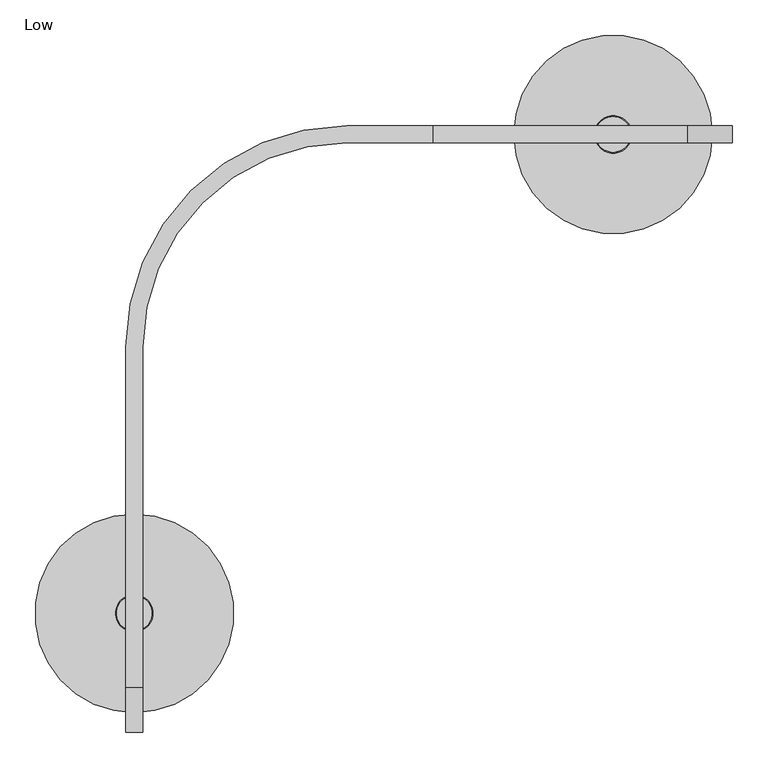
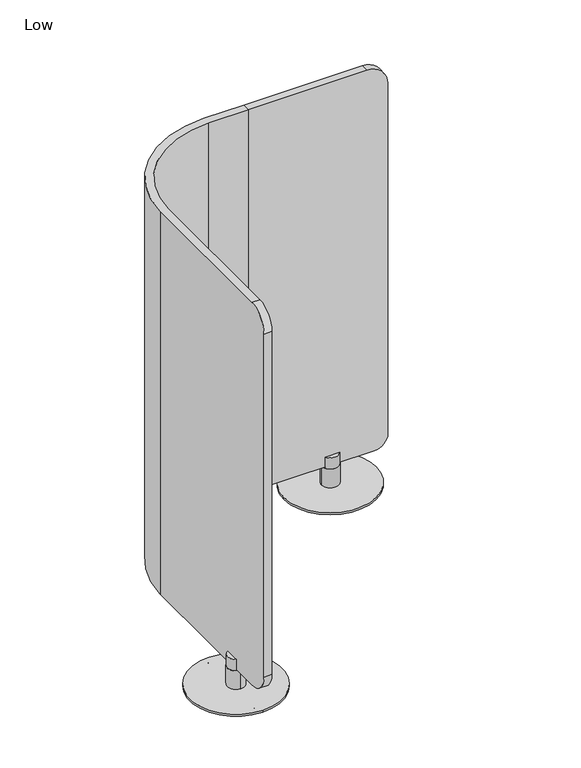
"""IFC4 building model written with IfcOpenShell, lengths in millimetres: furniture geometry, Low."""

import ifcopenshell
import ifcopenshell.guid

model = None  # the IFC model being written
_history = None  # IfcOwnerHistory: only IFC2X3 demands one
_inside = {}  # id of a spatial element -> (the spatial element, [elements in it])
_under = {}  # id of a project, library or spatial element -> (it, [spatial elements below it])
_declared = {}  # id of a project -> (the project, [libraries it declares])
_typed = {}  # id of a type object -> (the type object, [elements of that type])
_made_of = {}  # id of a material, layer set ... -> (it, [elements and type objects made of it])


def new_model(schema):
    """Start an empty IFC model of exactly this schema.

    Asked for "IFC4X3", IfcOpenShell would pick the latest addendum, in which some entities
    have other attributes; the version numbers below select the first issue.
    IFC2X3 requires an IfcOwnerHistory on every rooted entity: one is made here for all.
    """
    global model, _history
    if schema == "IFC4X3":
        model = ifcopenshell.file(schema_version=(4, 3, 0, 0))
    else:
        model = ifcopenshell.file(schema=schema)
    _inside.clear()
    _under.clear()
    _declared.clear()
    _typed.clear()
    _made_of.clear()
    _history = None
    if model.schema == "IFC2X3":
        org = make("IfcOrganization", Name="unknown")
        user = make(
            "IfcPersonAndOrganization",
            ThePerson=make("IfcPerson", FamilyName="unknown"),
            TheOrganization=org,
        )
        app = make(
            "IfcApplication",
            ApplicationDeveloper=org,
            Version="unknown",
            ApplicationFullName="unknown",
            ApplicationIdentifier="unknown",
        )
        _history = make(
            "IfcOwnerHistory",
            OwningUser=user,
            OwningApplication=app,
            ChangeAction="ADDED",
            CreationDate=0,
        )
    return model


def make(cls, **values):
    """One entity of the class cls with the attributes given. An attribute that is None is left unset."""
    return model.create_entity(
        cls, **{name: value for name, value in values.items() if value is not None}
    )


def rooted(cls, **values):
    """An entity with a GlobalId (a new one), such as an element, a storey or a relation."""
    return make(cls, GlobalId=ifcopenshell.guid.new(), OwnerHistory=_history, **values)


def si_unit(unit_type, name, prefix=None):
    """IfcSIUnit, for example si_unit("LENGTHUNIT", "METRE", prefix="MILLI")."""
    return make("IfcSIUnit", UnitType=unit_type, Prefix=prefix, Name=name)


def assignment(units):
    """IfcUnitAssignment: the units of a project."""
    return None if units is None else make("IfcUnitAssignment", Units=units)


def point(xyz):
    """IfcCartesianPoint."""
    return None if xyz is None else make("IfcCartesianPoint", Coordinates=xyz)


def direction(xyz):
    """IfcDirection."""
    return None if xyz is None else make("IfcDirection", DirectionRatios=xyz)


def frame(location, z_axis=None, x_axis=None):
    """IfcAxis2Placement3D, a coordinate frame: its origin and axes. An axis left out is left unset."""
    return make(
        "IfcAxis2Placement3D",
        Location=point(location),
        Axis=direction(z_axis),
        RefDirection=direction(x_axis),
    )


def frame_2d(location, x_axis=None):
    """IfcAxis2Placement2D, a coordinate frame in the plane: its origin and x axis."""
    return make(
        "IfcAxis2Placement2D", Location=point(location), RefDirection=direction(x_axis)
    )


def origin():
    """The frame at (0, 0, 0) with its axes left unset."""
    return frame((0.0, 0.0, 0.0))


def origin_with_axes():
    """The frame at (0, 0, 0) with the z axis (0, 0, 1) and the x axis (1, 0, 0) written out."""
    return frame((0.0, 0.0, 0.0), z_axis=(0.0, 0.0, 1.0), x_axis=(1.0, 0.0, 0.0))


def place(relative_to, where):
    """IfcLocalPlacement: puts the frame where relative to a parent placement (None: the world)."""
    return make(
        "IfcLocalPlacement", PlacementRelTo=relative_to, RelativePlacement=where
    )


def context(
    kind, dimensions, precision=None, world=None, true_north=None, identifier=None
):
    """IfcGeometricRepresentationContext, for example the 3D "Model" context."""
    return make(
        "IfcGeometricRepresentationContext",
        ContextIdentifier=identifier,
        ContextType=kind,
        CoordinateSpaceDimension=dimensions,
        Precision=precision,
        WorldCoordinateSystem=world,
        TrueNorth=true_north,
    )


def project(units=None, contexts=None):
    """IfcProject with its units and contexts."""
    return rooted(
        "IfcProject",
        Name="project",
        RepresentationContexts=contexts,
        UnitsInContext=assignment(units),
    )


def spatial(cls, under=None, at=None, **own):
    """A site, building, storey or space (cls), placed at a placement, below another one or the project."""
    s = rooted(cls, ObjectPlacement=at, **own)
    if under is not None:
        _under.setdefault(under.id(), (under, []))[1].append(s)
    return s


def polyline(points):
    """IfcPolyline through the points."""
    return make("IfcPolyline", Points=[point(p) for p in points])


def circle_curve(where, radius):
    """IfcCircle in the frame where."""
    return make("IfcCircle", Position=where, Radius=radius)


def trimmed(basis, trim1, trim2, sense, master):
    """IfcTrimmedCurve: the piece of a basis curve between two trims."""
    return make(
        "IfcTrimmedCurve",
        BasisCurve=basis,
        Trim1=trim1,
        Trim2=trim2,
        SenseAgreement=sense,
        MasterRepresentation=master,
    )


def segment(curve, same_sense, transition):
    """IfcCompositeCurveSegment."""
    return make(
        "IfcCompositeCurveSegment",
        Transition=transition,
        SameSense=same_sense,
        ParentCurve=curve,
    )


def composite_curve(segments, self_intersect=None):
    """IfcCompositeCurve: segments joined end to end."""
    return make("IfcCompositeCurve", Segments=segments, SelfIntersect=self_intersect)


def outline(outer, holes=None, kind="AREA"):
    """IfcArbitraryClosedProfileDef: a profile drawn as a closed curve; with holes, ...WithVoids."""
    if holes is None:
        return make("IfcArbitraryClosedProfileDef", ProfileType=kind, OuterCurve=outer)
    return make(
        "IfcArbitraryProfileDefWithVoids",
        ProfileType=kind,
        OuterCurve=outer,
        InnerCurves=holes,
    )


def extrude(swept, where, along, depth):
    """IfcExtrudedAreaSolid: the profile swept, set in the frame where, extruded along a direction by depth."""
    return make(
        "IfcExtrudedAreaSolid",
        SweptArea=swept,
        Position=where,
        ExtrudedDirection=direction(along),
        Depth=depth,
    )


def shape(context_of_items, identifier, shape_type, items):
    """IfcShapeRepresentation: the items that make up one representation, for example the "Body"."""
    return make(
        "IfcShapeRepresentation",
        ContextOfItems=context_of_items,
        RepresentationIdentifier=identifier,
        RepresentationType=shape_type,
        Items=items,
    )


def source(mapping_origin, context_of_items, identifier, shape_type, items):
    """IfcRepresentationMap: a shape defined once, which mapped items show again and again."""
    return make(
        "IfcRepresentationMap",
        MappingOrigin=mapping_origin,
        MappedRepresentation=shape(context_of_items, identifier, shape_type, items),
    )


def transform(
    local_origin,
    x_axis=None,
    y_axis=None,
    z_axis=None,
    scale=None,
    scale2=None,
    scale3=None,
    uniform=True,
):
    """IfcCartesianTransformationOperator3D, or its non-uniform kind. x_axis, y_axis, z_axis: its Axis1, 2, 3."""
    if uniform:
        return make(
            "IfcCartesianTransformationOperator3D",
            Axis1=direction(x_axis),
            Axis2=direction(y_axis),
            LocalOrigin=point(local_origin),
            Scale=scale,
            Axis3=direction(z_axis),
        )
    return make(
        "IfcCartesianTransformationOperator3DnonUniform",
        Axis1=direction(x_axis),
        Axis2=direction(y_axis),
        LocalOrigin=point(local_origin),
        Scale=scale,
        Axis3=direction(z_axis),
        Scale2=scale2,
        Scale3=scale3,
    )


def mapped(mapping_source, mapping_target):
    """IfcMappedItem: shows the shape of a source again, moved by a transform."""
    return make(
        "IfcMappedItem", MappingSource=mapping_source, MappingTarget=mapping_target
    )


def made_of(thing, what):
    """Note that an element or type object is made of a material, layer set ...; save() writes the relation."""
    if what is not None:
        _made_of.setdefault(what.id(), (what, []))[1].append(thing)
    return thing


def element(
    cls,
    number,
    at=None,
    inside=None,
    cuts=None,
    type_object=None,
    material=None,
    context=None,
    identifier="Body",
    shape_type=None,
    held_by="IfcProductDefinitionShape",
    body=None,
    shapes=None,
    **own,
):
    """One element of the class cls, such as IfcWall. Its Tag is "e" and its number.

    at: its placement. inside: the storey or other place that contains it. cuts: it is an
    opening in that element (IfcRelVoidsElement). A single representation is given by context,
    identifier, shape_type and body (its items); several are given by shapes. held_by: the class
    of the entity that holds the representations. save() writes the other relations.
    """
    e = rooted(cls, Tag="e%d" % number, ObjectPlacement=at, **own)
    if body is not None:
        shapes = [shape(context, identifier, shape_type, body)]
    if shapes is not None:
        e.Representation = make(held_by, Representations=shapes)
    if inside is not None:
        _inside.setdefault(inside.id(), (inside, []))[1].append(e)
    if cuts is not None:
        rooted(
            "IfcRelVoidsElement", RelatingBuildingElement=cuts, RelatedOpeningElement=e
        )
    if type_object is not None:
        _typed.setdefault(type_object.id(), (type_object, []))[1].append(e)
    return made_of(e, material)


def aggregate(whole, parts):
    """IfcRelAggregates: a whole, such as a stair, and the parts it consists of."""
    return rooted("IfcRelAggregates", RelatingObject=whole, RelatedObjects=parts)


def save(model, path):
    """Write the relations noted so far, then the file.

    IfcRelAggregates (storeys below a building ...), IfcRelContainedInSpatialStructure (elements
    in a storey), IfcRelDefinesByType, IfcRelAssociatesMaterial and IfcRelDeclares: one each for
    every whole, place, type object, material and project.
    """
    for whole, parts in _under.values():
        aggregate(whole, parts)
    for where, things in _inside.values():
        rooted(
            "IfcRelContainedInSpatialStructure",
            RelatedElements=things,
            RelatingStructure=where,
        )
    for kind, things in _typed.values():
        rooted("IfcRelDefinesByType", RelatedObjects=things, RelatingType=kind)
    for what, things in _made_of.values():
        rooted("IfcRelAssociatesMaterial", RelatedObjects=things, RelatingMaterial=what)
    for by, libraries in _declared.values():
        rooted("IfcRelDeclares", RelatingContext=by, RelatedDefinitions=libraries)
    model.write(path)


def plane_surface(at):
    """IfcPlane: the flat surface through the origin of the frame at, square to its z axis."""
    return make("IfcPlane", Position=at)


def cylinder_surface(at, radius):
    """IfcCylindricalSurface: all points at the distance radius from the z axis of the frame at."""
    return make("IfcCylindricalSurface", Position=at, Radius=radius)


def revolved_surface(curve, axis_point, axis_direction):
    """IfcSurfaceOfRevolution: the curve turned about the line through axis_point along axis_direction."""
    return make(
        "IfcSurfaceOfRevolution",
        SweptCurve=make("IfcArbitraryOpenProfileDef", ProfileType="CURVE", Curve=curve),
        AxisPosition=make("IfcAxis1Placement", Location=point(axis_point), Axis=direction(axis_direction)),
    )


def advanced_brep(points, edges, surfaces, faces):
    """IfcAdvancedBrep: a solid bounded by faces that lie on surfaces and meet in shared edges.

    An edge is (start, end): straight between two places in points (the first is 0);
    or (start, end, curve); or (start, end, curve, False) where it runs against its curve.
    A face is (place in surfaces, loops), or (place, loops, False) where it looks against
    its surface's normal. A loop lists edges by number (the first is 1), with a minus sign
    where the edge is run from its end to its start. The first loop is the outer one.
    """
    corners = [point(p) for p in points]
    vertices = [make("IfcVertexPoint", VertexGeometry=c) for c in corners]
    made = []
    for start, end, *more in edges:
        made.append(
            make(
                "IfcEdgeCurve",
                EdgeStart=vertices[start],
                EdgeEnd=vertices[end],
                EdgeGeometry=more[0] if more else make("IfcPolyline", Points=[corners[start], corners[end]]),
                SameSense=more[1] if len(more) > 1 else True,
            )
        )
    hull = []
    for where, loops, *sense in faces:
        bounds = []
        for j, loop in enumerate(loops):
            ring = [make("IfcOrientedEdge", EdgeElement=made[abs(k) - 1], Orientation=k > 0) for k in loop]
            bounds.append(
                make(
                    "IfcFaceOuterBound" if j == 0 else "IfcFaceBound",
                    Bound=make("IfcEdgeLoop", EdgeList=ring),
                    Orientation=True,
                )
            )
        hull.append(make("IfcAdvancedFace", Bounds=bounds, FaceSurface=surfaces[where], SameSense=sense[0] if sense else True))
    return make("IfcAdvancedBrep", Outer=make("IfcClosedShell", CfsFaces=hull))


def low_6d535d16(model_context):
    return source(origin(), model_context, "Body", "SolidModel", [
        extrude(outline(composite_curve([segment(trimmed(circle_curve(frame_2d((132.588, -685.8)), 12.7), [point((132.588, -673.1))], [point((132.588, -698.5))], False, "CARTESIAN"), True, "CONTINUOUS"), segment(trimmed(circle_curve(frame_2d((132.588, -685.8)), 12.7), [point((132.588, -698.5))], [point((132.588, -673.1))], False, "CARTESIAN"), True, "CONTINUOUS")], self_intersect=False)), origin_with_axes(), (0.0, 0.0, 1.0), 1.524),
        extrude(outline(composite_curve([segment(trimmed(circle_curve(frame_2d((11.938, -806.45)), 12.7), [point((11.938, -793.75))], [point((11.938, -819.15))], False, "CARTESIAN"), True, "CONTINUOUS"), segment(trimmed(circle_curve(frame_2d((11.938, -806.45)), 12.7), [point((11.938, -819.15))], [point((11.938, -793.75))], False, "CARTESIAN"), True, "CONTINUOUS")], self_intersect=False)), origin_with_axes(), (0.0, 0.0, 1.0), 1.524),
        extrude(outline(composite_curve([segment(trimmed(circle_curve(frame_2d((11.938, -565.15)), 12.7), [point((11.938, -577.85))], [point((11.938, -552.45))], False, "CARTESIAN"), True, "CONTINUOUS"), segment(trimmed(circle_curve(frame_2d((11.938, -565.15)), 12.7), [point((11.938, -552.45))], [point((11.938, -577.85))], False, "CARTESIAN"), True, "CONTINUOUS")], self_intersect=False)), origin_with_axes(), (0.0, 0.0, 1.0), 1.524),
        extrude(outline(composite_curve([segment(trimmed(circle_curve(frame_2d((-108.712, -685.8)), 12.7), [point((-108.712, -673.1))], [point((-108.712, -698.5))], False, "CARTESIAN"), True, "CONTINUOUS"), segment(trimmed(circle_curve(frame_2d((-108.712, -685.8)), 12.7), [point((-108.712, -698.5))], [point((-108.712, -673.1))], False, "CARTESIAN"), True, "CONTINUOUS")], self_intersect=False)), origin_with_axes(), (0.0, 0.0, 1.0), 1.524),
        advanced_brep(
        [(11.938, -659.511, 7.8738108), (11.938, -712.089, 7.8738108), (11.938, -685.8, 7.8738108), (11.938, -659.511, 67.1039066), (11.938, -712.089, 67.1039066), (23.876, -707.7660094, 102.874898), (23.876, -663.8339906, 102.874898), (0.0, -663.8339906, 102.874898), (0.0, -707.7660094, 102.874898), (11.938, -710.8004282, 67.1039066), (11.938, -660.7995718, 67.1039066), (11.938, -660.7995718, 71.12), (23.876, -663.8339906, 71.12), (23.876, -707.7660094, 71.12), (11.938, -710.8004282, 71.12), (0.0, -707.7660094, 71.12), (0.0, -663.8339906, 71.12)],
        [
            (0, 1, circle_curve(frame((11.938, -685.8, 7.8738108), z_axis=(0.0, 0.0, -1.0), x_axis=(0.0, -1.0, 0.0)), 26.289)),
            (1, 2),
            (2, 0),
            (1, 0, circle_curve(frame((11.938, -685.8, 7.8738108), z_axis=(0.0, 0.0, -1.0), x_axis=(0.0, -1.0, 0.0)), 26.289)),
            (0, 3),
            (3, 4, circle_curve(frame((11.938, -685.8, 67.1039066), z_axis=(0.0, 0.0, -1.0), x_axis=(0.0, -1.0, 0.0)), 26.289)),
            (4, 1),
            (4, 3, circle_curve(frame((11.938, -685.8, 67.1039066), z_axis=(0.0, 0.0, -1.0), x_axis=(0.0, -1.0, 0.0)), 26.289)),
            (5, 6, circle_curve(frame((11.938, -685.8, 102.874898), z_axis=(0.0, 0.0, 1.0), x_axis=(0.0, -1.0, 0.0)), 25.0004282)),
            (6, 5),
            (7, 8, circle_curve(frame((11.938, -685.8, 102.874898), z_axis=(0.0, 0.0, 1.0), x_axis=(0.0, -1.0, 0.0)), 25.0004282)),
            (8, 7),
            (9, 10, circle_curve(frame((11.938, -685.8, 67.1039066), z_axis=(0.0, 0.0, 1.0), x_axis=(0.0, -1.0, 0.0)), 25.0004282)),
            (10, 11),
            (11, 12, circle_curve(frame((11.938, -685.8, 71.12), z_axis=(0.0, 0.0, -1.0), x_axis=(0.0, -1.0, 0.0)), 25.0004282)),
            (12, 6),
            (5, 13),
            (13, 14, circle_curve(frame((11.938, -685.8, 71.12), z_axis=(0.0, 0.0, -1.0), x_axis=(0.0, -1.0, 0.0)), 25.0004282)),
            (14, 9),
            (10, 9, circle_curve(frame((11.938, -685.8, 67.1039066), z_axis=(0.0, 0.0, 1.0), x_axis=(0.0, -1.0, 0.0)), 25.0004282)),
            (14, 15, circle_curve(frame((11.938, -685.8, 71.12), z_axis=(0.0, 0.0, -1.0), x_axis=(0.0, -1.0, 0.0)), 25.0004282)),
            (15, 8),
            (7, 16),
            (16, 11, circle_curve(frame((11.938, -685.8, 71.12), z_axis=(0.0, 0.0, -1.0), x_axis=(0.0, -1.0, 0.0)), 25.0004282)),
            (15, 16),
            (13, 12),
            (3, 10),
            (9, 4),
        ],
        [
            plane_surface(frame((11.938, -685.8, 7.8738108), z_axis=(0.0, 0.0, -1.0), x_axis=(0.0, -1.0, 0.0))),
            cylinder_surface(frame((11.938, -685.8, 140.974898), z_axis=(0.0, 0.0, 1.0), x_axis=(0.0, -1.0, 0.0)), 26.289),
            plane_surface(frame((11.938, -685.8, 102.874898), z_axis=(0.0, 0.0, 1.0), x_axis=(0.0, -1.0, 0.0))),
            cylinder_surface(frame((11.938, -685.8, 140.974898), z_axis=(0.0, 0.0, 1.0), x_axis=(0.0, -1.0, 0.0)), 25.0004282),
            plane_surface(frame((0.0, -736.6, 102.874898), z_axis=(1.0, 0.0, 0.0), x_axis=(0.0, 1.0, 0.0))),
            plane_surface(frame((0.0, -736.6, 71.12), z_axis=(0.0, 0.0, 1.0), x_axis=(0.0, 1.0, 0.0))),
            plane_surface(frame((23.876, -736.6, 71.12), z_axis=(-1.0, 0.0, 0.0), x_axis=(0.0, 1.0, 0.0))),
            plane_surface(frame((11.938, -685.8, 67.1039066), z_axis=(0.0, 0.0, 1.0), x_axis=(0.0, -1.0, 0.0))),
        ],
        [
            (0, [[1, 2, 3]]),
            (0, [[-2, 4, -3]]),
            (1, [[-1, 5, 6, 7]]),
            (1, [[-4, -7, 8, -5]]),
            (2, [[9, 10]]),
            (2, [[11, 12]]),
            (3, [[13, 14, 15, 16, -9, 17, 18, 19]]),
            (3, [[20, -19, 21, 22, -11, 23, 24, -14]]),
            (4, [[25, -23, -12, -22]]),
            (5, [[-25, -21, -18, 26, -15, -24]]),
            (6, [[-26, -17, -10, -16]]),
            (7, [[-6, 27, -13, 28]]),
            (7, [[-8, -28, -20, -27]]),
        ],
    ),
        extrude(outline(composite_curve([segment(trimmed(circle_curve(frame_2d((11.938, -685.8)), 139.7), [point((11.938, -546.1))], [point((11.938, -825.5))], False, "CARTESIAN"), True, "CONTINUOUS"), segment(trimmed(circle_curve(frame_2d((11.938, -685.8)), 139.7), [point((11.938, -825.5))], [point((11.938, -546.1))], False, "CARTESIAN"), True, "CONTINUOUS")], self_intersect=False)), frame((0.0, 0.0, 1.524), z_axis=(0.0, 0.0, 1.0), x_axis=(1.0, 0.0, 0.0)), (0.0, 0.0, 1.0), 6.35),
        extrude(outline(composite_curve([segment(trimmed(circle_curve(frame_2d((685.8, 108.712)), 12.7), [point((698.5, 108.712))], [point((673.1, 108.712))], False, "CARTESIAN"), True, "CONTINUOUS"), segment(trimmed(circle_curve(frame_2d((685.8, 108.712)), 12.7), [point((673.1, 108.712))], [point((698.5, 108.712))], False, "CARTESIAN"), True, "CONTINUOUS")], self_intersect=False)), origin_with_axes(), (0.0, 0.0, 1.0), 1.524),
        extrude(outline(composite_curve([segment(trimmed(circle_curve(frame_2d((565.15, -11.938)), 12.7), [point((577.85, -11.938))], [point((552.45, -11.938))], False, "CARTESIAN"), True, "CONTINUOUS"), segment(trimmed(circle_curve(frame_2d((565.15, -11.938)), 12.7), [point((552.45, -11.938))], [point((577.85, -11.938))], False, "CARTESIAN"), True, "CONTINUOUS")], self_intersect=False)), origin_with_axes(), (0.0, 0.0, 1.0), 1.524),
        extrude(outline(composite_curve([segment(trimmed(circle_curve(frame_2d((806.45, -11.938)), 12.7), [point((793.75, -11.938))], [point((819.15, -11.938))], False, "CARTESIAN"), True, "CONTINUOUS"), segment(trimmed(circle_curve(frame_2d((806.45, -11.938)), 12.7), [point((819.15, -11.938))], [point((793.75, -11.938))], False, "CARTESIAN"), True, "CONTINUOUS")], self_intersect=False)), origin_with_axes(), (0.0, 0.0, 1.0), 1.524),
        extrude(outline(composite_curve([segment(trimmed(circle_curve(frame_2d((685.8, -132.588)), 12.7), [point((698.5, -132.588))], [point((673.1, -132.588))], False, "CARTESIAN"), True, "CONTINUOUS"), segment(trimmed(circle_curve(frame_2d((685.8, -132.588)), 12.7), [point((673.1, -132.588))], [point((698.5, -132.588))], False, "CARTESIAN"), True, "CONTINUOUS")], self_intersect=False)), origin_with_axes(), (0.0, 0.0, 1.0), 1.524),
        advanced_brep(
        [(712.089, -11.938, 7.8738108), (685.8, -11.938, 7.8738108), (659.511, -11.938, 7.8738108), (659.511, -11.938, 67.1039066), (712.089, -11.938, 67.1039066), (663.8339906, 0.0, 102.874898), (707.7660094, 0.0, 102.874898), (707.7660094, -23.876, 102.874898), (663.8339906, -23.876, 102.874898), (660.7995718, -11.938, 67.1039066), (660.7995718, -11.938, 71.12), (663.8339906, 0.0, 71.12), (707.7660094, 0.0, 71.12), (710.8004282, -11.938, 71.12), (710.8004282, -11.938, 67.1039066), (707.7660094, -23.876, 71.12), (663.8339906, -23.876, 71.12)],
        [
            (0, 1),
            (1, 2),
            (2, 0, circle_curve(frame((685.8, -11.938, 7.8738108), z_axis=(0.0, 0.0, -1.0), x_axis=(-1.0, 0.0, 0.0)), 26.289)),
            (0, 2, circle_curve(frame((685.8, -11.938, 7.8738108), z_axis=(0.0, 0.0, -1.0), x_axis=(-1.0, 0.0, 0.0)), 26.289)),
            (2, 3),
            (3, 4, circle_curve(frame((685.8, -11.938, 67.1039066), z_axis=(0.0, 0.0, -1.0), x_axis=(-1.0, 0.0, 0.0)), 26.289)),
            (4, 0),
            (4, 3, circle_curve(frame((685.8, -11.938, 67.1039066), z_axis=(0.0, 0.0, -1.0), x_axis=(-1.0, 0.0, 0.0)), 26.289)),
            (5, 6),
            (6, 5, circle_curve(frame((685.8, -11.938, 102.874898), z_axis=(0.0, 0.0, 1.0), x_axis=(-1.0, 0.0, 0.0)), 25.0004282)),
            (7, 8),
            (8, 7, circle_curve(frame((685.8, -11.938, 102.874898), z_axis=(0.0, 0.0, 1.0), x_axis=(-1.0, 0.0, 0.0)), 25.0004282)),
            (9, 10),
            (10, 11, circle_curve(frame((685.8, -11.938, 71.12), z_axis=(0.0, 0.0, -1.0), x_axis=(-1.0, 0.0, 0.0)), 25.0004282)),
            (11, 5),
            (6, 12),
            (12, 13, circle_curve(frame((685.8, -11.938, 71.12), z_axis=(0.0, 0.0, -1.0), x_axis=(-1.0, 0.0, 0.0)), 25.0004282)),
            (13, 14),
            (14, 9, circle_curve(frame((685.8, -11.938, 67.1039066), z_axis=(0.0, 0.0, 1.0), x_axis=(-1.0, 0.0, 0.0)), 25.0004282)),
            (13, 15, circle_curve(frame((685.8, -11.938, 71.12), z_axis=(0.0, 0.0, -1.0), x_axis=(-1.0, 0.0, 0.0)), 25.0004282)),
            (15, 7),
            (8, 16),
            (16, 10, circle_curve(frame((685.8, -11.938, 71.12), z_axis=(0.0, 0.0, -1.0), x_axis=(-1.0, 0.0, 0.0)), 25.0004282)),
            (9, 14, circle_curve(frame((685.8, -11.938, 67.1039066), z_axis=(0.0, 0.0, 1.0), x_axis=(-1.0, 0.0, 0.0)), 25.0004282)),
            (15, 16),
            (12, 11),
            (3, 9),
            (14, 4),
        ],
        [
            plane_surface(frame((685.8, -11.938, 7.8738108), z_axis=(0.0, 0.0, -1.0), x_axis=(-1.0, 0.0, 0.0))),
            cylinder_surface(frame((685.8, -11.938, 140.974898), z_axis=(0.0, 0.0, 1.0), x_axis=(-1.0, 0.0, 0.0)), 26.289),
            plane_surface(frame((685.8, -11.938, 102.874898), z_axis=(0.0, 0.0, 1.0), x_axis=(-1.0, 0.0, 0.0))),
            cylinder_surface(frame((685.8, -11.938, 140.974898), z_axis=(0.0, 0.0, 1.0), x_axis=(-1.0, 0.0, 0.0)), 25.0004282),
            plane_surface(frame((635.0, -23.876, 102.874898), z_axis=(0.0, 1.0, 0.0), x_axis=(1.0, 0.0, 0.0))),
            plane_surface(frame((635.0, -23.876, 71.12), z_axis=(0.0, 0.0, 1.0), x_axis=(1.0, 0.0, 0.0))),
            plane_surface(frame((635.0, 0.0, 71.12), z_axis=(0.0, -1.0, 0.0), x_axis=(1.0, 0.0, 0.0))),
            plane_surface(frame((685.8, -11.938, 67.1039066), z_axis=(0.0, 0.0, 1.0), x_axis=(-1.0, 0.0, 0.0))),
        ],
        [
            (0, [[1, 2, 3]]),
            (0, [[-1, 4, -2]]),
            (1, [[5, 6, 7, -3]]),
            (1, [[-7, 8, -5, -4]]),
            (2, [[9, 10]]),
            (2, [[11, 12]]),
            (3, [[13, 14, 15, -10, 16, 17, 18, 19]]),
            (3, [[-18, 20, 21, -12, 22, 23, -13, 24]]),
            (4, [[-22, -11, -21, 25]]),
            (5, [[-20, -17, 26, -14, -23, -25]]),
            (6, [[-16, -9, -15, -26]]),
            (7, [[27, -19, 28, -6]]),
            (7, [[-28, -24, -27, -8]]),
        ],
    ),
        extrude(outline(composite_curve([segment(trimmed(circle_curve(frame_2d((685.8, -11.938)), 139.7), [point((825.5, -11.938))], [point((546.1, -11.938))], False, "CARTESIAN"), True, "CONTINUOUS"), segment(trimmed(circle_curve(frame_2d((685.8, -11.938)), 139.7), [point((546.1, -11.938))], [point((825.5, -11.938))], False, "CARTESIAN"), True, "CONTINUOUS")], self_intersect=False)), frame((0.0, 0.0, 1.524), z_axis=(0.0, 0.0, 1.0), x_axis=(1.0, 0.0, 0.0)), (0.0, 0.0, 1.0), 6.35),
        advanced_brep(
        [(23.876, -311.15, 1295.4), (311.15, -23.876, 1295.4), (431.8, -23.876, 1295.4), (431.8, 0.0, 1295.4), (311.15, 0.0, 1295.4), (0.0, -311.15, 1295.4), (0.0, -789.94, 1295.4), (23.876, -789.94, 1295.4), (0.0, -311.15, 71.12), (311.15, 0.0, 71.12), (431.8, 0.0, 71.12), (431.8, -23.876, 71.12), (311.15, -23.876, 71.12), (23.876, -311.15, 71.12), (23.876, -789.94, 71.12), (0.0, -789.94, 71.12), (23.876, -853.44, 1231.9), (23.876, -853.44, 134.62), (0.0, -853.44, 134.62), (0.0, -853.44, 1231.9)],
        [
            (0, 1, circle_curve(frame((311.15, -311.15, 1295.4), z_axis=(0.0, 0.0, -1.0), x_axis=(1.0, 0.0, 0.0)), 287.274)),
            (1, 2),
            (2, 3),
            (3, 4),
            (4, 5, circle_curve(frame((311.15, -311.15, 1295.4), z_axis=(0.0, 0.0, 1.0), x_axis=(1.0, 0.0, 0.0)), 311.15)),
            (5, 6),
            (6, 7),
            (7, 0),
            (8, 9, circle_curve(frame((311.15, -311.15, 71.12), z_axis=(0.0, 0.0, -1.0), x_axis=(1.0, 0.0, 0.0)), 311.15)),
            (9, 10),
            (10, 11),
            (11, 12),
            (12, 13, circle_curve(frame((311.15, -311.15, 71.12), z_axis=(0.0, 0.0, 1.0), x_axis=(1.0, 0.0, 0.0)), 287.274)),
            (13, 14),
            (14, 15),
            (15, 8),
            (7, 16, circle_curve(frame((23.876, -789.94, 1231.9), z_axis=(1.0, 0.0, 0.0), x_axis=(0.0, 1.0, 0.0)), 63.5)),
            (16, 17),
            (17, 14, circle_curve(frame((23.876, -789.94, 134.62), z_axis=(1.0, 0.0, 0.0), x_axis=(0.0, 1.0, 0.0)), 63.5)),
            (13, 0),
            (1, 12),
            (11, 2),
            (10, 3),
            (9, 4),
            (8, 5),
            (15, 18, circle_curve(frame((0.0, -789.94, 134.62), z_axis=(-1.0, 0.0, 0.0), x_axis=(0.0, 1.0, 0.0)), 63.5)),
            (18, 19),
            (19, 6, circle_curve(frame((0.0, -789.94, 1231.9), z_axis=(-1.0, 0.0, 0.0), x_axis=(0.0, 1.0, 0.0)), 63.5)),
            (19, 16),
            (18, 17),
        ],
        [
            plane_surface(frame((23.876, -777.24, 1295.4), z_axis=(0.0, 0.0, 1.0), x_axis=(1.0, 0.0, 0.0))),
            plane_surface(frame((23.876, -777.24, 71.12), z_axis=(0.0, 0.0, -1.0), x_axis=(-1.0, 0.0, 0.0))),
            plane_surface(frame((23.876, -777.24, 1295.4), z_axis=(1.0, 0.0, 0.0), x_axis=(0.0, 0.0, -1.0))),
            plane_surface(frame((311.15, -23.876, 1295.4), z_axis=(0.0, -1.0, 0.0), x_axis=(0.0, 0.0, -1.0))),
            plane_surface(frame((431.8, -23.876, 1295.4), z_axis=(1.0, 0.0, 0.0), x_axis=(0.0, 0.0, -1.0))),
            plane_surface(frame((431.8, 0.0, 1295.4), z_axis=(0.0, 1.0, 0.0), x_axis=(0.0, 0.0, -1.0))),
            cylinder_surface(frame((311.15, -311.15, 71.12), z_axis=(0.0, 0.0, 1.0), x_axis=(1.0, 0.0, 0.0)), 311.15),
            plane_surface(frame((0.0, -311.15, 1295.4), z_axis=(-1.0, 0.0, 0.0), x_axis=(0.0, 0.0, -1.0))),
            revolved_surface(polyline([(598.424, -311.15, 71.12), (598.424, -311.15, 1295.4)]), (311.15, -311.15, 71.12), (0.0, 0.0, -1.0)),
            cylinder_surface(frame((0.0, -789.94, 1231.9), z_axis=(1.0, 0.0, 0.0), x_axis=(0.0, 1.0, 0.0)), 63.5),
            plane_surface(frame((23.876, -853.44, 1231.9), z_axis=(0.0, -1.0, 0.0), x_axis=(-1.0, 0.0, 0.0))),
            cylinder_surface(frame((0.0, -789.94, 134.62), z_axis=(1.0, 0.0, 0.0), x_axis=(0.0, 1.0, 0.0)), 63.5),
        ],
        [
            (0, [[1, 2, 3, 4, 5, 6, 7, 8]]),
            (1, [[9, 10, 11, 12, 13, 14, 15, 16]]),
            (2, [[-8, 17, 18, 19, -14, 20]]),
            (3, [[-2, 21, -12, 22]]),
            (4, [[-3, -22, -11, 23]]),
            (5, [[-4, -23, -10, 24]]),
            (6, [[-5, -24, -9, 25]]),
            (7, [[-6, -25, -16, 26, 27, 28]]),
            (8, [[-1, -20, -13, -21]]),
            (9, [[-17, -7, -28, 29]]),
            (10, [[-18, -29, -27, 30]]),
            (11, [[-19, -30, -26, -15]]),
        ],
    ),
        extrude(outline(composite_curve([segment(polyline([(1295.4, 789.94), (1295.4, 431.8), (71.12, 431.8), (71.12, 812.8)]), True, "CONTINUOUS"), segment(trimmed(circle_curve(frame_2d((111.76, 812.8)), 40.64), [point((71.12, 812.8))], [point((111.76, 853.44))], False, "CARTESIAN"), True, "CONTINUOUS"), segment(polyline([(111.76, 853.44), (1231.9, 853.44)]), True, "CONTINUOUS"), segment(trimmed(circle_curve(frame_2d((1231.9, 789.94)), 63.5), [point((1231.9, 853.44))], [point((1295.4, 789.94))], False, "CARTESIAN"), True, "CONTINUOUS")], self_intersect=False)), frame((0.0, -23.876, 0.0), z_axis=(0.0, 1.0, 0.0), x_axis=(0.0, 0.0, 1.0)), (0.0, 0.0, 1.0), 23.876),
    ])


if __name__ == "__main__":
    model = new_model("IFC4")
    model_context = context("Model", 3, world=origin())
    ifc_project = project(units=[si_unit("LENGTHUNIT", "METRE", prefix="MILLI")], contexts=[model_context])
    site = spatial("IfcSite", under=ifc_project)
    building = spatial("IfcBuilding", under=site)
    placement = place(None, origin())
    low_shape = low_6d535d16(model_context)
    element("IfcFurniture", 1, ObjectType="Low", at=placement, inside=building, context=model_context, shape_type="MappedRepresentation", body=[
        mapped(low_shape, transform((0.0, 0.0, 0.0), x_axis=(1.0, 0.0, 0.0), y_axis=(0.0, 1.0, 0.0), z_axis=(0.0, 0.0, 1.0))),
    ])
    save(model, "model.ifc")
